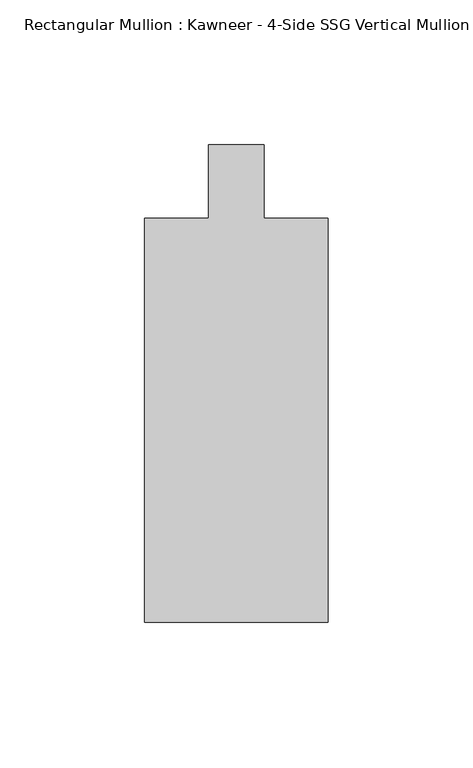
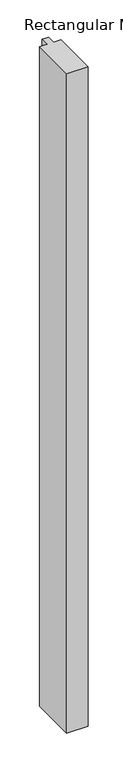
"""IFC4 building model written with IfcOpenShell, lengths in millimetres: member geometry."""

from ifc_helpers import new_model, si_unit, frame, origin, place, context, project, spatial, polyline, outline, extrude, source, transform, mapped, element, save


def member_40a7591c(model_context):
    return source(origin(), model_context, "Body", "SweptSolid", [
        extrude(outline(polyline([(-31.75, -152.399995), (-31.75, -12.7), (-9.5251132, -12.7), (-9.5251132, 12.7), (9.5251132, 12.7), (9.5251132, -12.7), (31.75, -12.7), (31.75, -152.399995), (-31.75, -152.399995)])), frame((0.0, 0.0, -2078.6680655), z_axis=(0.0, 0.0, 1.0), x_axis=(1.0, 0.0, 0.0)), (0.0, 0.0, 1.0), 2078.6680655),
    ])


if __name__ == "__main__":
    model = new_model("IFC4")
    model_context = context("Model", 3, world=origin())
    ifc_project = project(units=[si_unit("LENGTHUNIT", "METRE", prefix="MILLI")], contexts=[model_context])
    site = spatial("IfcSite", under=ifc_project)
    building = spatial("IfcBuilding", under=site)
    placement = place(None, origin())
    member_shape = member_40a7591c(model_context)
    element("IfcMember", 1, ObjectType="Rectangular Mullion : Kawneer - 4-Side SSG Vertical Mullion - 6 1/2\"", at=placement, inside=building, context=model_context, shape_type="MappedRepresentation", body=[
        mapped(member_shape, transform((0.0, 0.0, 0.0), x_axis=(1.0, 0.0, 0.0), y_axis=(0.0, 1.0, 0.0), z_axis=(0.0, 0.0, 1.0))),
    ])
    save(model, "model.ifc")
